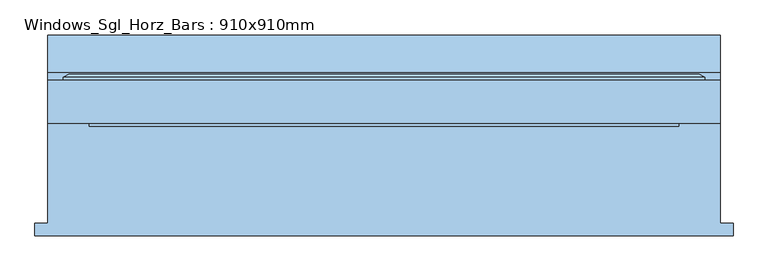
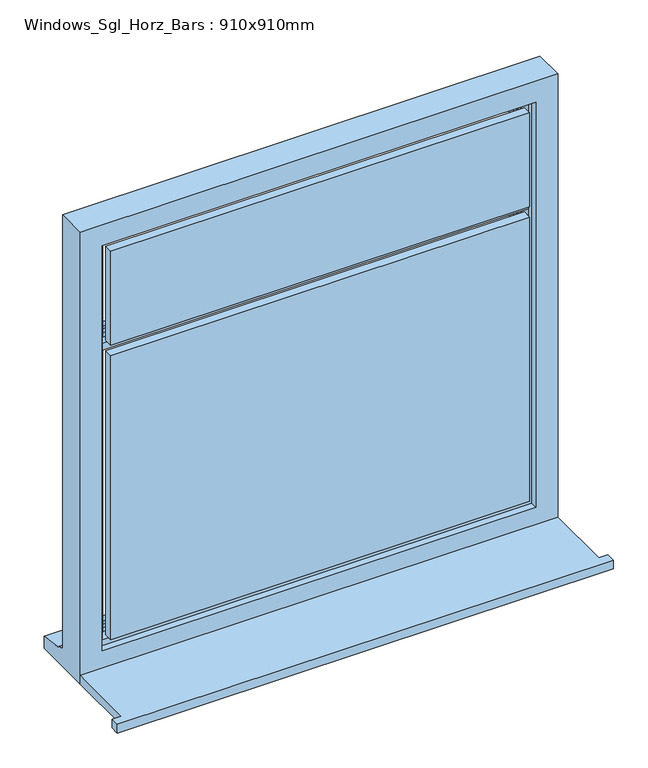
"""IFC4 building model written with IfcOpenShell, lengths in millimetres: window geometry, Windows_Sgl_Horz_Bars : 910x910mm."""

from ifc_helpers import new_model, si_unit, frame, origin, place, context, project, spatial, polyline, outline, extrude, faceted_brep, source, transform, mapped, element, save


def windows_sgl_horz_bars_910x910mm_3e42164b(model_context):
    return source(origin(), model_context, "Body", "SolidModel", [
        extrude(outline(polyline([(-675.0, -179.5434322), (-675.0, -154.5434322), (-650.0, -154.5434322), (-650.0, 38.4565678), (650.0, 38.4565678), (650.0, -154.5434322), (675.0, -154.5434322), (675.0, -179.5434322), (-675.0, -179.5434322)])), frame((0.0, 0.0, 810.0), z_axis=(0.0, 0.0, 1.0), x_axis=(1.0, 0.0, 0.0)), (0.0, 0.0, 1.0), 25.0),
        extrude(outline(polyline([(570.0, 32.4565678), (-570.0, 32.4565678), (-570.0, 56.4565678), (570.0, 56.4565678), (570.0, 32.4565678)])), frame((0.0, 0.0, 913.0), z_axis=(0.0, 0.0, 1.0), x_axis=(1.0, 0.0, 0.0)), (0.0, 0.0, 1.0), 817.0),
        extrude(outline(polyline([(570.0, 32.4565678), (-570.0, 32.4565678), (-570.0, 56.4565678), (570.0, 56.4565678), (570.0, 32.4565678)])), frame((0.0, 0.0, 1760.0), z_axis=(0.0, 0.0, 1.0), x_axis=(1.0, 0.0, 0.0)), (0.0, 0.0, 1.0), 270.0),
        faceted_brep([(-650.0, 38.4565678, 810.0), (650.0, 38.4565678, 810.0), (650.0, 38.4565678, 2110.0), (-650.0, 38.4565678, 2110.0), (-590.0, 38.4565678, 2050.0), (590.0, 38.4565678, 2050.0), (590.0, 38.4565678, 885.0), (-590.0, 38.4565678, 885.0), (-650.0, 121.4565678, 2110.0), (-650.0, 121.4565678, 861.0), (-650.0, 136.4565678, 859.68767), (-650.0, 136.4565678, 854.7449676), (-650.0, 208.9565678, 843.8088847), (-650.0, 208.9565678, 810.0), (650.0, 121.4565678, 2110.0), (650.0, 121.4565678, 861.0), (-610.0, 121.4565678, 2070.0), (-610.0, 121.4565678, 873.0), (610.0, 121.4565678, 873.0), (610.0, 121.4565678, 2070.0), (-610.0, 56.4565678, 2070.0), (-610.0, 56.4565678, 873.0), (610.0, 56.4565678, 2070.0), (610.0, 56.4565678, 873.0), (-590.0, 56.4565678, 2050.0), (-590.0, 56.4565678, 885.0), (590.0, 56.4565678, 885.0), (590.0, 56.4565678, 2050.0), (650.0, 208.9565678, 810.0), (650.0, 208.9565678, 843.8088847), (650.0, 136.4565678, 854.7449676), (650.0, 136.4565678, 859.68767)], [[[0, 1, 2, 3], [4, 5, 6, 7]], [[0, 3, 8, 9, 10, 11, 12, 13]], [[9, 8, 14, 15], [16, 17, 18, 19]], [[17, 16, 20, 21]], [[20, 22, 23, 21], [24, 25, 26, 27]], [[24, 4, 7, 25]], [[3, 2, 14, 8]], [[16, 19, 22, 20]], [[5, 4, 24, 27]], [[15, 14, 2, 1, 28, 29, 30, 31]], [[19, 18, 23, 22]], [[5, 27, 26, 6]], [[28, 1, 0, 13]], [[29, 28, 13, 12]], [[30, 29, 12, 11]], [[31, 30, 11, 10]], [[15, 31, 10, 9]], [[21, 23, 18, 17]], [[7, 6, 26, 25]]]),
        extrude(outline(polyline([(133.0035732, 1750.1692373), (133.0035732, 1739.8307627), (127.3277797, 1730.0), (109.4565678, 1730.0), (109.4565678, 1737.0), (85.4565678, 1737.0), (85.4565678, 1730.0), (70.9494677, 1730.0), (56.4565678, 1735.1480377), (56.4565678, 1754.8519623), (70.9494677, 1760.0), (85.4565678, 1760.0), (85.4565678, 1753.0), (109.4565678, 1753.0), (109.4565678, 1760.0), (127.3277797, 1760.0), (133.0035732, 1750.1692373)])), frame((-580.1480377, 0.0, 0.0), z_axis=(1.0, 0.0, 0.0), x_axis=(0.0, 1.0, 0.0)), (0.0, 0.0, 1.0), 1160.2960754),
        faceted_brep([(-620.0, 121.4565678, 2080.0), (-620.0, 127.2300705, 2080.0), (-620.0, 127.2300705, 863.0), (-620.0, 121.4565678, 863.0), (-610.0, 56.4565678, 2070.0), (-610.0, 121.4565678, 2070.0), (-610.0, 121.4565678, 873.0), (-610.0, 56.4565678, 873.0), (-570.0, 70.9494677, 2030.0), (-580.1480377, 56.4565678, 2040.1480377), (-580.1480377, 56.4565678, 902.8519623), (-570.0, 70.9494677, 913.0), (-570.0, 85.4565678, 2030.0), (-570.0, 85.4565678, 913.0), (-580.0, 109.4565678, 2040.0), (-580.0, 85.4565678, 2040.0), (-580.0, 85.4565678, 903.0), (-580.0, 109.4565678, 903.0), (-570.0, 127.2300705, 2030.0), (-570.0, 109.4565678, 2030.0), (-570.0, 109.4565678, 913.0), (-570.0, 127.2300705, 913.0), (-580.0, 133.0035732, 2040.0), (-580.0, 133.0035732, 903.0), (-609.2153903, 133.0035732, 2069.2153903), (-609.2153903, 133.0035732, 873.7846097), (620.0, 127.2300705, 863.0), (620.0, 121.4565678, 863.0), (610.0, 121.4565678, 873.0), (610.0, 56.4565678, 873.0), (580.1480377, 56.4565678, 902.8519623), (570.0, 70.9494677, 913.0), (570.0, 85.4565678, 913.0), (580.0, 85.4565678, 903.0), (580.0, 109.4565678, 903.0), (570.0, 109.4565678, 913.0), (570.0, 127.2300705, 913.0), (580.0, 133.0035732, 903.0), (609.2153903, 133.0035732, 873.7846097), (620.0, 127.2300705, 2080.0), (620.0, 121.4565678, 2080.0), (610.0, 121.4565678, 2070.0), (610.0, 56.4565678, 2070.0), (580.1480377, 56.4565678, 2040.1480377), (570.0, 70.9494677, 2030.0), (570.0, 85.4565678, 2030.0), (580.0, 85.4565678, 2040.0), (580.0, 109.4565678, 2040.0), (570.0, 109.4565678, 2030.0), (570.0, 127.2300705, 2030.0), (580.0, 133.0035732, 2040.0), (609.2153903, 133.0035732, 2069.2153903)], [[[0, 1, 2, 3]], [[4, 5, 6, 7]], [[8, 9, 10, 11]], [[12, 8, 11, 13]], [[14, 15, 16, 17]], [[18, 19, 20, 21]], [[22, 18, 21, 23]], [[1, 24, 25, 2]], [[3, 2, 26, 27]], [[7, 6, 28, 29]], [[11, 10, 30, 31]], [[13, 11, 31, 32]], [[17, 16, 33, 34]], [[21, 20, 35, 36]], [[23, 21, 36, 37]], [[2, 25, 38, 26]], [[27, 26, 39, 40]], [[29, 28, 41, 42]], [[31, 30, 43, 44]], [[32, 31, 44, 45]], [[34, 33, 46, 47]], [[36, 35, 48, 49]], [[37, 36, 49, 50]], [[26, 38, 51, 39]], [[40, 39, 1, 0]], [[3, 27, 40, 0], [5, 41, 28, 6]], [[42, 41, 5, 4]], [[7, 29, 42, 4], [9, 43, 30, 10]], [[44, 43, 9, 8]], [[45, 44, 8, 12]], [[15, 46, 33, 16], [13, 32, 45, 12]], [[47, 46, 15, 14]], [[17, 34, 47, 14], [19, 48, 35, 20]], [[49, 48, 19, 18]], [[50, 49, 18, 22]], [[24, 51, 38, 25], [23, 37, 50, 22]], [[39, 51, 24, 1]]]),
    ])


if __name__ == "__main__":
    model = new_model("IFC4")
    model_context = context("Model", 3, world=origin())
    ifc_project = project(units=[si_unit("LENGTHUNIT", "METRE", prefix="MILLI")], contexts=[model_context])
    site = spatial("IfcSite", under=ifc_project)
    building = spatial("IfcBuilding", under=site)
    placement = place(None, origin())
    windows_sgl_horz_bars_910x910mm_shape = windows_sgl_horz_bars_910x910mm_3e42164b(model_context)
    element("IfcWindow", 1, ObjectType="Windows_Sgl_Horz_Bars : 910x910mm", at=placement, inside=building, context=model_context, shape_type="MappedRepresentation", body=[
        mapped(windows_sgl_horz_bars_910x910mm_shape, transform((0.0, 0.0, 0.0), x_axis=(1.0, 0.0, 0.0), y_axis=(0.0, 1.0, 0.0), z_axis=(0.0, 0.0, 1.0))),
    ])
    save(model, "model.ifc")
